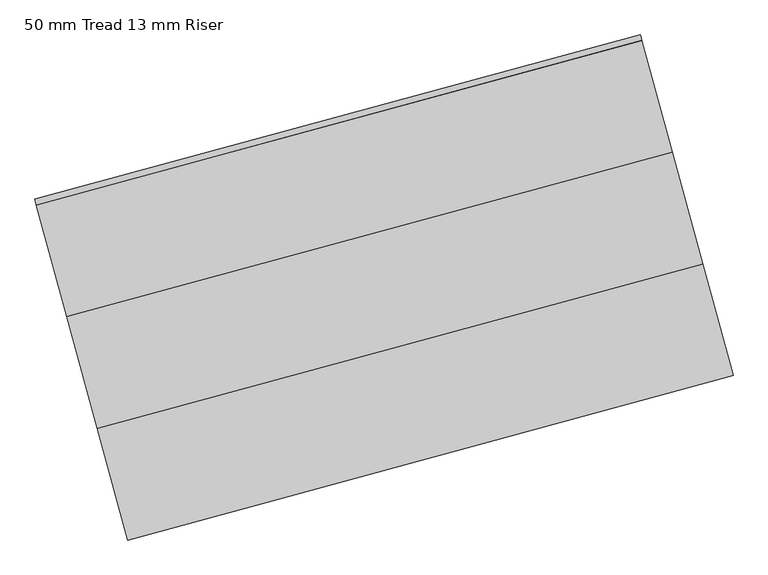
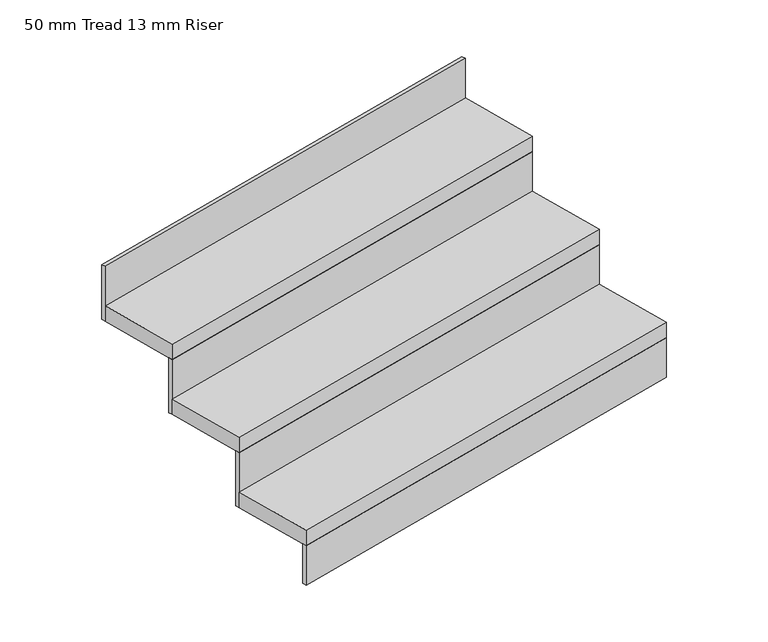
"""IFC4 building model written with IfcOpenShell, lengths in millimetres: stair flight geometry, 50 mm Tread 13 mm Riser."""

from ifc_helpers import new_model, si_unit, frame, origin, origin_with_axes, place, context, project, spatial, polyline, outline, extrude, source, transform, mapped, element, save


def stair_flight_50_mm_tread_13_mm_riser_45cdea7c(model_context):
    return source(origin(), model_context, "Body", "SweptSolid", [
        extrude(outline(polyline([(165292.0452473, -79996.9395505), (165295.3238577, -80009.0019182), (163988.8794672, -80364.0998865), (163985.6008568, -80352.0375189), (165292.0452473, -79996.9395505)])), origin_with_axes(), (0.0, 0.0, 1.0), 127.7777778),
        extrude(outline(polyline([(163923.307258, -80122.8525334), (165229.7516485, -79767.7545651), (165295.3238577, -80009.0019182), (163988.8794672, -80364.0998865), (163923.307258, -80122.8525334)])), frame((0.0, 0.0, 127.7777778), z_axis=(0.0, 0.0, 1.0), x_axis=(1.0, 0.0, 0.0)), (0.0, 0.0, 1.0), 50.0),
        extrude(outline(polyline([(165226.473038, -79755.6921974), (165229.7516485, -79767.7545651), (163923.307258, -80122.8525334), (163920.0286475, -80110.7901658), (165226.473038, -79755.6921974)])), frame((0.0, 0.0, 127.7777778), z_axis=(0.0, 0.0, 1.0), x_axis=(1.0, 0.0, 0.0)), (0.0, 0.0, 1.0), 177.7777778),
        extrude(outline(polyline([(163857.7350487, -79881.6051804), (165164.1794392, -79526.507212), (165229.7516485, -79767.7545651), (163923.307258, -80122.8525334), (163857.7350487, -79881.6051804)])), frame((0.0, 0.0, 305.5555556), z_axis=(0.0, 0.0, 1.0), x_axis=(1.0, 0.0, 0.0)), (0.0, 0.0, 1.0), 50.0),
        extrude(outline(polyline([(165160.9008287, -79514.4448443), (165164.1794392, -79526.507212), (163857.7350487, -79881.6051804), (163854.4564383, -79869.5428127), (165160.9008287, -79514.4448443)])), frame((0.0, 0.0, 305.5555556), z_axis=(0.0, 0.0, 1.0), x_axis=(1.0, 0.0, 0.0)), (0.0, 0.0, 1.0), 177.7777778),
        extrude(outline(polyline([(165095.3286195, -79273.1974912), (165098.6072299, -79285.2598589), (163792.1628395, -79640.3578273), (163788.884229, -79628.2954596), (165095.3286195, -79273.1974912)])), frame((0.0, 0.0, 483.3333333), z_axis=(0.0, 0.0, 1.0), x_axis=(1.0, 0.0, 0.0)), (0.0, 0.0, 1.0), 177.7777778),
        extrude(outline(polyline([(163792.1628395, -79640.3578273), (165098.6072299, -79285.2598589), (165164.1794392, -79526.507212), (163857.7350487, -79881.6051804), (163792.1628395, -79640.3578273)])), frame((0.0, 0.0, 483.3333333), z_axis=(0.0, 0.0, 1.0), x_axis=(1.0, 0.0, 0.0)), (0.0, 0.0, 1.0), 50.0),
    ])


if __name__ == "__main__":
    model = new_model("IFC4")
    model_context = context("Model", 3, world=origin())
    ifc_project = project(units=[si_unit("LENGTHUNIT", "METRE", prefix="MILLI")], contexts=[model_context])
    site = spatial("IfcSite", under=ifc_project)
    building = spatial("IfcBuilding", under=site)
    placement = place(None, origin())
    stair_flight_50_mm_tread_13_mm_riser_shape = stair_flight_50_mm_tread_13_mm_riser_45cdea7c(model_context)
    element("IfcStairFlight", 1, ObjectType="50 mm Tread 13 mm Riser", at=placement, inside=building, context=model_context, shape_type="MappedRepresentation", body=[
        mapped(stair_flight_50_mm_tread_13_mm_riser_shape, transform((0.0, 0.0, 0.0), x_axis=(1.0, 0.0, 0.0), y_axis=(0.0, 1.0, 0.0), z_axis=(0.0, 0.0, 1.0))),
    ])
    save(model, "model.ifc")
